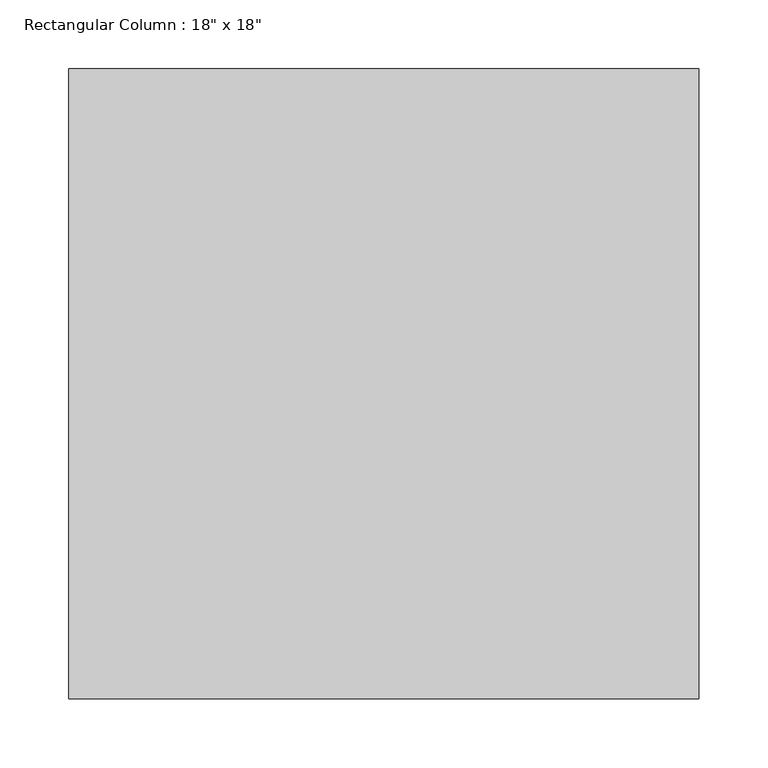
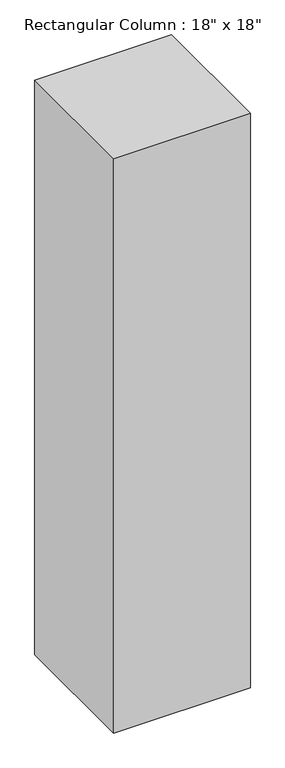
"""IFC4 building model written with IfcOpenShell, lengths in millimetres: column geometry."""

from ifc_helpers import new_model, si_unit, frame, origin, place, context, project, spatial, polyline, outline, extrude, source, transform, mapped, element, save


def column_51868ba9(model_context):
    return source(origin(), model_context, "Body", "SweptSolid", [
        extrude(outline(polyline([(228.6, 228.6), (228.6, -228.6), (-228.6, -228.6), (-228.6, 228.6), (228.6, 228.6)])), frame((0.0, 0.0, 2816.2), z_axis=(0.0, 0.0, 1.0), x_axis=(1.0, 0.0, 0.0)), (0.0, 0.0, 1.0), 2031.0),
    ])


if __name__ == "__main__":
    model = new_model("IFC4")
    model_context = context("Model", 3, world=origin())
    ifc_project = project(units=[si_unit("LENGTHUNIT", "METRE", prefix="MILLI")], contexts=[model_context])
    site = spatial("IfcSite", under=ifc_project)
    building = spatial("IfcBuilding", under=site)
    placement = place(None, origin())
    column_shape = column_51868ba9(model_context)
    element("IfcColumn", 1, ObjectType="Rectangular Column : 18\" x 18\"", at=placement, inside=building, context=model_context, shape_type="MappedRepresentation", body=[
        mapped(column_shape, transform((0.0, 0.0, 0.0), x_axis=(1.0, 0.0, 0.0), y_axis=(0.0, 1.0, 0.0), z_axis=(0.0, 0.0, 1.0))),
    ])
    save(model, "model.ifc")
